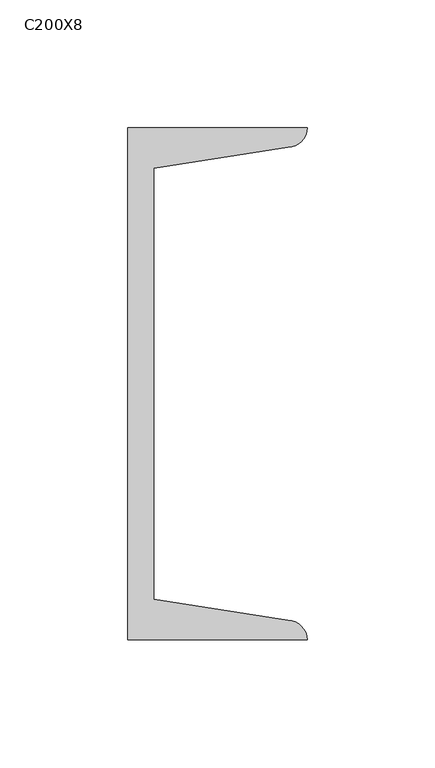
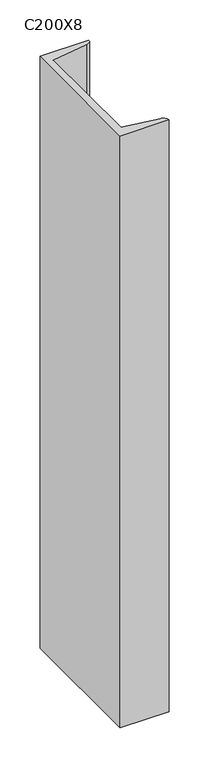
"""IFC4 building model written with IfcOpenShell, lengths in millimetres: column geometry, C200X8."""

from ifc_helpers import new_model, si_unit, point, frame, frame_2d, origin, place, context, project, spatial, polyline, circle_curve, trimmed, segment, composite_curve, outline, extrude, source, transform, mapped, element, save


def c200x8_844baf80(model_context):
    return source(origin(), model_context, "Body", "SweptSolid", [
        extrude(outline(composite_curve([segment(polyline([(5.0, -100.0), (5.0, 100.0), (75.0, 100.0)]), True, "CONTINUOUS"), segment(trimmed(circle_curve(frame_2d((67.5, 100.0)), 7.5), [point((75.0, 100.0))], [point((67.5, 92.5))], False, "CARTESIAN"), True, "CONTINUOUS"), segment(polyline([(67.5, 92.5), (15.0, 84.1848169), (15.0, -84.1848169), (67.5, -92.5)]), True, "CONTINUOUS"), segment(trimmed(circle_curve(frame_2d((67.5, -100.0)), 7.5), [point((67.5, -92.5))], [point((75.0, -100.0))], False, "CARTESIAN"), True, "CONTINUOUS"), segment(polyline([(75.0, -100.0), (5.0, -100.0)]), True, "CONTINUOUS")], self_intersect=False)), frame((0.0, 0.0, 9350.0), z_axis=(0.0, 0.0, 1.0), x_axis=(1.0, 0.0, 0.0)), (0.0, 0.0, 1.0), 900.0),
    ])


if __name__ == "__main__":
    model = new_model("IFC4")
    model_context = context("Model", 3, world=origin())
    ifc_project = project(units=[si_unit("LENGTHUNIT", "METRE", prefix="MILLI")], contexts=[model_context])
    site = spatial("IfcSite", under=ifc_project)
    building = spatial("IfcBuilding", under=site)
    placement = place(None, origin())
    c200x8_shape = c200x8_844baf80(model_context)
    element("IfcColumn", 1, ObjectType="C200X8", at=placement, inside=building, context=model_context, shape_type="MappedRepresentation", body=[
        mapped(c200x8_shape, transform((0.0, 0.0, 0.0), x_axis=(1.0, 0.0, 0.0), y_axis=(0.0, 1.0, 0.0), z_axis=(0.0, 0.0, 1.0))),
    ])
    save(model, "model.ifc")
